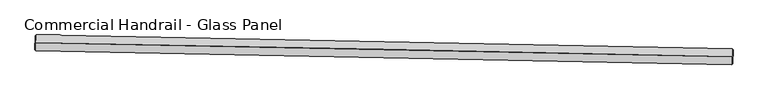
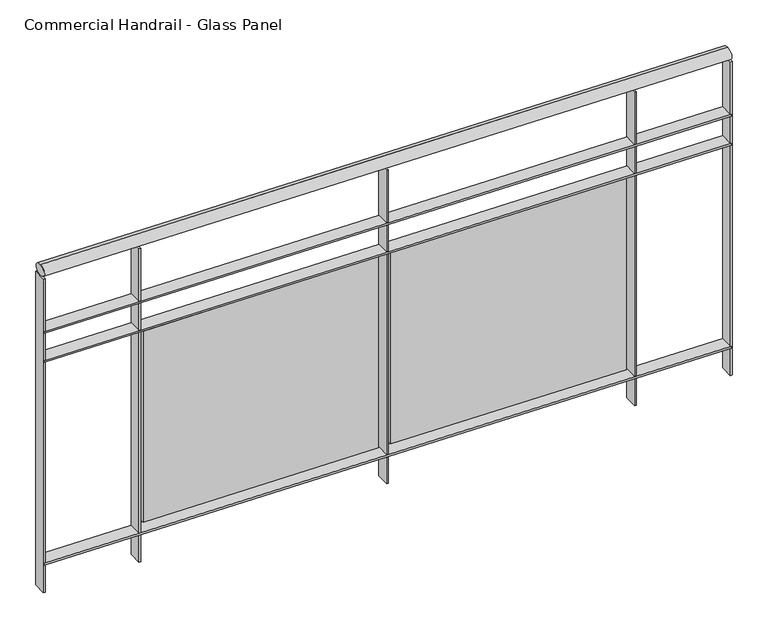
"""IFC4 building model written with IfcOpenShell, lengths in millimetres: railing geometry, Commercial Handrail - Glass Panel."""

from ifc_helpers import new_model, si_unit, point, frame, origin, place, context, project, spatial, polyline, circle_curve, ellipse_curve, trimmed, outline, extrude, source, transform, mapped, element, save
from ifc_brep_helpers import plane_surface, cylinder_surface, revolved_surface, advanced_brep


def commercial_handrail_glass_panel_b0ed1c4f(model_context):
    return source(origin(), model_context, "Body", "SolidModel", [
        advanced_brep(
        [(109450.0847955, -31519.7385661, 9482.5), (111668.0683441, -31564.3090244, 9482.5), (111668.0683441, -31564.3090244, 9517.5), (109450.0847955, -31519.7385661, 9517.5)],
        [
            (0, 1, circle_curve(frame((103958.1605732, -360026.9365691, 9482.5), z_axis=(0.0, 0.0, -1.0), x_axis=(0.023466245609922713, 0.9997246297440985, 0.0)), 328553.1012963)),
            (1, 2, ellipse_curve(frame((111668.0683441, -31564.3090244, 9500.0), z_axis=(-0.9997246297440988, 0.02346624560991631, 0.0), x_axis=(0.0234662456099163, 0.9997246297440986, 0.0)), 25.0, 17.5)),
            (2, 3, circle_curve(frame((103958.1605732, -360026.9365691, 9517.5), z_axis=(0.0, 0.0, 1.0), x_axis=(0.023466245609922713, 0.9997246297440985, 0.0)), 328553.1012963)),
            (3, 0, ellipse_curve(frame((109450.0847955, -31519.7385661, 9500.0), z_axis=(0.999860286531577, -0.016715484348137827, 0.0), x_axis=(0.016715484348137827, 0.999860286531577, 0.0)), 25.0, 17.5)),
            (2, 1, ellipse_curve(frame((111668.0683441, -31564.3090244, 9500.0), z_axis=(-0.9997246297440988, 0.02346624560991631, 0.0), x_axis=(0.0234662456099163, 0.9997246297440986, 0.0)), 25.0, 17.5)),
            (0, 3, ellipse_curve(frame((109450.0847955, -31519.7385661, 9500.0), z_axis=(0.999860286531577, -0.016715484348137827, 0.0), x_axis=(0.016715484348137827, 0.999860286531577, 0.0)), 25.0, 17.5)),
        ],
        [
            revolved_surface(trimmed(ellipse_curve(frame((111668.0683441, -31564.3090244, 9500.0), z_axis=(0.9997246297440985, -0.023466245609922713, 0.0), x_axis=(0.0, 0.0, -1.0)), 17.5, 25.0), [point((111668.0683441, -31564.3090244, 9517.5))], [point((111668.0683441, -31564.3090244, 9482.5))], True, "CARTESIAN"), (103958.1605732, -360026.9365691, 9500.0), (0.0, 0.0, 1.0)),
            revolved_surface(trimmed(ellipse_curve(frame((111668.0683441, -31564.3090244, 9500.0), z_axis=(0.9997246297440985, -0.023466245609922713, 0.0), x_axis=(0.0, 0.0, -1.0)), 17.5, 25.0), [point((111668.0683441, -31564.3090244, 9482.5))], [point((111668.0683441, -31564.3090244, 9517.5))], True, "CARTESIAN"), (103958.1605732, -360026.9365691, 9500.0), (0.0, 0.0, 1.0)),
            plane_surface(frame((111668.0683441, -31564.3090244, 9500.0), z_axis=(0.9997246297440986, -0.023466245609922713, 0.0), x_axis=(0.023466245609922713, 0.9997246297440986, 0.0))),
            plane_surface(frame((109450.0847955, -31519.7385661, 9500.0), z_axis=(-0.999860286531577, 0.016715484348137813, 0.0), x_axis=(0.016715484348137813, 0.999860286531577, 0.0))),
        ],
        [
            (0, [[1, 2, 3, 4]]),
            (1, [[-3, 5, -1, 6]]),
            (2, [[-2, -5]]),
            (3, [[-6, -4]]),
        ],
    ),
        advanced_brep(
        [(109449.7086971, -31542.2354226, 9300.0), (111667.5403536, -31586.8028285, 9300.0), (111668.5963347, -31541.8152202, 9300.0), (109450.4608939, -31497.2417097, 9300.0), (109449.7086971, -31542.2354226, 9294.0), (111667.5403536, -31586.8028285, 9294.0), (109450.4608939, -31497.2417097, 9294.0), (111668.5963347, -31541.8152202, 9294.0)],
        [
            (0, 1, circle_curve(frame((103958.1605732, -360026.9365691, 9300.0), z_axis=(0.0, 0.0, -1.0), x_axis=(0.023466245609922713, 0.9997246297440985, 0.0)), 328530.6012963)),
            (1, 2),
            (2, 3, circle_curve(frame((103958.1605732, -360026.9365691, 9300.0), z_axis=(0.0, 0.0, 1.0), x_axis=(0.023466245609922713, 0.9997246297440985, 0.0)), 328575.6012963)),
            (3, 0),
            (4, 5, circle_curve(frame((103958.1605732, -360026.9365691, 9294.0), z_axis=(0.0, 0.0, -1.0), x_axis=(0.023466245609922713, 0.9997246297440985, 0.0)), 328530.6012963)),
            (5, 1),
            (0, 4),
            (6, 7, circle_curve(frame((103958.1605732, -360026.9365691, 9294.0), z_axis=(0.0, 0.0, -1.0), x_axis=(0.023466245609922713, 0.9997246297440985, 0.0)), 328575.6012963)),
            (7, 5),
            (4, 6),
            (2, 7),
            (6, 3),
        ],
        [
            plane_surface(frame((103958.1605732, -360026.9365691, 9300.0), z_axis=(0.0, 0.0, 1.0), x_axis=(0.023466245609922713, 0.9997246297440985, 0.0))),
            revolved_surface(polyline([(111667.54035359457, -31586.802828550455, 9300.0), (111667.54035359457, -31586.802828550455, 9294.0)]), (103958.1605732, -360026.9365691, 9300.0), (0.0, 0.0, 1.0)),
            plane_surface(frame((103958.1605732, -360026.9365691, 9294.0), z_axis=(0.0, 0.0, -1.0), x_axis=(0.023466245609922713, 0.9997246297440985, 0.0))),
            cylinder_surface(frame((103958.1605732, -360026.9365691, 9300.0), z_axis=(0.0, 0.0, 1.0), x_axis=(0.023466245609922713, 0.9997246297440985, 0.0)), 328575.6012963),
            plane_surface(frame((111668.0683441, -31564.3090244, 9300.0), z_axis=(0.9997246297440986, -0.023466245609922713, 0.0), x_axis=(0.023466245609922713, 0.9997246297440986, 0.0))),
            plane_surface(frame((109450.0847955, -31519.7385661, 9300.0), z_axis=(-0.999860286531577, 0.016715484348137813, 0.0), x_axis=(0.016715484348137813, 0.999860286531577, 0.0))),
        ],
        [
            (0, [[1, 2, 3, 4]]),
            (1, [[5, 6, -1, 7]]),
            (2, [[8, 9, -5, 10]]),
            (3, [[-3, 11, -8, 12]]),
            (4, [[-2, -6, -9, -11]]),
            (5, [[-12, -10, -7, -4]]),
        ],
    ),
        advanced_brep(
        [(109449.7086971, -31542.2354226, 9200.0), (111667.5403536, -31586.8028285, 9200.0), (111668.5963347, -31541.8152202, 9200.0), (109450.4608939, -31497.2417097, 9200.0), (109449.7086971, -31542.2354226, 9194.0), (111667.5403536, -31586.8028285, 9194.0), (109450.4608939, -31497.2417097, 9194.0), (111668.5963347, -31541.8152202, 9194.0)],
        [
            (0, 1, circle_curve(frame((103958.1605732, -360026.9365691, 9200.0), z_axis=(0.0, 0.0, -1.0), x_axis=(0.023466245609922713, 0.9997246297440985, 0.0)), 328530.6012963)),
            (1, 2),
            (2, 3, circle_curve(frame((103958.1605732, -360026.9365691, 9200.0), z_axis=(0.0, 0.0, 1.0), x_axis=(0.023466245609922713, 0.9997246297440985, 0.0)), 328575.6012963)),
            (3, 0),
            (4, 5, circle_curve(frame((103958.1605732, -360026.9365691, 9194.0), z_axis=(0.0, 0.0, -1.0), x_axis=(0.023466245609922713, 0.9997246297440985, 0.0)), 328530.6012963)),
            (5, 1),
            (0, 4),
            (6, 7, circle_curve(frame((103958.1605732, -360026.9365691, 9194.0), z_axis=(0.0, 0.0, -1.0), x_axis=(0.023466245609922713, 0.9997246297440985, 0.0)), 328575.6012963)),
            (7, 5),
            (4, 6),
            (2, 7),
            (6, 3),
        ],
        [
            plane_surface(frame((103958.1605732, -360026.9365691, 9200.0), z_axis=(0.0, 0.0, 1.0), x_axis=(0.023466245609922713, 0.9997246297440985, 0.0))),
            revolved_surface(polyline([(111667.54035359457, -31586.802828550455, 9200.0), (111667.54035359457, -31586.802828550455, 9194.0)]), (103958.1605732, -360026.9365691, 9200.0), (0.0, 0.0, 1.0)),
            plane_surface(frame((103958.1605732, -360026.9365691, 9194.0), z_axis=(0.0, 0.0, -1.0), x_axis=(0.023466245609922713, 0.9997246297440985, 0.0))),
            cylinder_surface(frame((103958.1605732, -360026.9365691, 9200.0), z_axis=(0.0, 0.0, 1.0), x_axis=(0.023466245609922713, 0.9997246297440985, 0.0)), 328575.6012963),
            plane_surface(frame((111668.0683441, -31564.3090244, 9200.0), z_axis=(0.9997246297440986, -0.023466245609922713, 0.0), x_axis=(0.023466245609922713, 0.9997246297440986, 0.0))),
            plane_surface(frame((109450.0847955, -31519.7385661, 9200.0), z_axis=(-0.999860286531577, 0.016715484348137813, 0.0), x_axis=(0.016715484348137813, 0.999860286531577, 0.0))),
        ],
        [
            (0, [[1, 2, 3, 4]]),
            (1, [[5, 6, -1, 7]]),
            (2, [[8, 9, -5, 10]]),
            (3, [[-3, 11, -8, 12]]),
            (4, [[-2, -6, -9, -11]]),
            (5, [[-12, -10, -7, -4]]),
        ],
    ),
        advanced_brep(
        [(109449.7086971, -31542.2354226, 8500.0), (111667.5403536, -31586.8028285, 8500.0), (111668.5963347, -31541.8152202, 8500.0), (109450.4608939, -31497.2417097, 8500.0), (109449.7086971, -31542.2354226, 8494.0), (111667.5403536, -31586.8028285, 8494.0), (109450.4608939, -31497.2417097, 8494.0), (111668.5963347, -31541.8152202, 8494.0)],
        [
            (0, 1, circle_curve(frame((103958.1605732, -360026.9365691, 8500.0), z_axis=(0.0, 0.0, -1.0), x_axis=(0.023466245609922713, 0.9997246297440985, 0.0)), 328530.6012963)),
            (1, 2),
            (2, 3, circle_curve(frame((103958.1605732, -360026.9365691, 8500.0), z_axis=(0.0, 0.0, 1.0), x_axis=(0.023466245609922713, 0.9997246297440985, 0.0)), 328575.6012963)),
            (3, 0),
            (4, 5, circle_curve(frame((103958.1605732, -360026.9365691, 8494.0), z_axis=(0.0, 0.0, -1.0), x_axis=(0.023466245609922713, 0.9997246297440985, 0.0)), 328530.6012963)),
            (5, 1),
            (0, 4),
            (6, 7, circle_curve(frame((103958.1605732, -360026.9365691, 8494.0), z_axis=(0.0, 0.0, -1.0), x_axis=(0.023466245609922713, 0.9997246297440985, 0.0)), 328575.6012963)),
            (7, 5),
            (4, 6),
            (2, 7),
            (6, 3),
        ],
        [
            plane_surface(frame((103958.1605732, -360026.9365691, 8500.0), z_axis=(0.0, 0.0, 1.0), x_axis=(0.023466245609922713, 0.9997246297440985, 0.0))),
            revolved_surface(polyline([(111667.54035359457, -31586.802828550455, 8500.0), (111667.54035359457, -31586.802828550455, 8494.0)]), (103958.1605732, -360026.9365691, 8500.0), (0.0, 0.0, 1.0)),
            plane_surface(frame((103958.1605732, -360026.9365691, 8494.0), z_axis=(0.0, 0.0, -1.0), x_axis=(0.023466245609922713, 0.9997246297440985, 0.0))),
            cylinder_surface(frame((103958.1605732, -360026.9365691, 8500.0), z_axis=(0.0, 0.0, 1.0), x_axis=(0.023466245609922713, 0.9997246297440985, 0.0)), 328575.6012963),
            plane_surface(frame((111668.0683441, -31564.3090244, 8500.0), z_axis=(0.9997246297440986, -0.023466245609922713, 0.0), x_axis=(0.023466245609922713, 0.9997246297440986, 0.0))),
            plane_surface(frame((109450.0847955, -31519.7385661, 8500.0), z_axis=(-0.999860286531577, 0.016715484348137813, 0.0), x_axis=(0.016715484348137813, 0.999860286531577, 0.0))),
        ],
        [
            (0, [[1, 2, 3, 4]]),
            (1, [[5, 6, -1, 7]]),
            (2, [[8, 9, -5, 10]]),
            (3, [[-3, 11, -8, 12]]),
            (4, [[-2, -6, -9, -11]]),
            (5, [[-12, -10, -7, -4]]),
        ],
    ),
        extrude(outline(polyline([(109762.6536892, -31502.6092569), (109761.8591469, -31547.602242), (109755.8600823, -31547.496303), (109756.6546246, -31502.503318), (109762.6536892, -31502.6092569)])), frame((0.0, 0.0, 8400.0), z_axis=(0.0, 0.0, 1.0), x_axis=(1.0, 0.0, 0.0)), (0.0, 0.0, 1.0), 1082.1192282),
        extrude(outline(polyline([(110539.0092025, -31545.529787), (109779.1445776, -31531.185736), (109779.3710626, -31519.1878735), (110539.2356875, -31533.5319245), (110539.0092025, -31545.529787)])), frame((0.0, 0.0, 8520.0), z_axis=(0.0, 0.0, 1.0), x_axis=(1.0, 0.0, 0.0)), (0.0, 0.0, 1.0), 660.0),
        extrude(outline(polyline([(110562.5656296, -31517.7165918), (110561.6615355, -31562.7075088), (110555.6627466, -31562.5869629), (110556.5668406, -31517.5960459), (110562.5656296, -31517.7165918)])), frame((0.0, 0.0, 8400.0), z_axis=(0.0, 0.0, 1.0), x_axis=(1.0, 0.0, 0.0)), (0.0, 0.0, 1.0), 1082.1192282),
        extrude(outline(polyline([(111338.8143335, -31562.5273551), (110578.9868877, -31546.33314), (110579.2425858, -31534.3358646), (111339.0700316, -31550.5300797), (111338.8143335, -31562.5273551)])), frame((0.0, 0.0, 8520.0), z_axis=(0.0, 0.0, 1.0), x_axis=(1.0, 0.0, 0.0)), (0.0, 0.0, 1.0), 660.0),
        extrude(outline(polyline([(111362.4384136, -31534.7716003), (111361.4247731, -31579.7601825), (111355.4262954, -31579.6250305), (111356.4399359, -31534.6364482), (111362.4384136, -31534.7716003)])), frame((0.0, 0.0, 8400.0), z_axis=(0.0, 0.0, 1.0), x_axis=(1.0, 0.0, 0.0)), (0.0, 0.0, 1.0), 1082.1192282),
        extrude(outline(polyline([(109453.4604747, -31497.2918561), (109452.7082779, -31542.285569), (109446.7091162, -31542.1852761), (109447.461313, -31497.1915632), (109453.4604747, -31497.2918561)])), frame((0.0, 0.0, 8400.0), z_axis=(0.0, 0.0, 1.0), x_axis=(1.0, 0.0, 0.0)), (0.0, 0.0, 1.0), 1082.1192282),
        extrude(outline(polyline([(111671.5955086, -31541.8856189), (111670.5395275, -31586.8732273), (111664.5411797, -31586.7324298), (111665.5971608, -31541.7448215), (111671.5955086, -31541.8856189)])), frame((0.0, 0.0, 8400.0), z_axis=(0.0, 0.0, 1.0), x_axis=(1.0, 0.0, 0.0)), (0.0, 0.0, 1.0), 1082.1192282),
    ])


if __name__ == "__main__":
    model = new_model("IFC4")
    model_context = context("Model", 3, world=origin())
    ifc_project = project(units=[si_unit("LENGTHUNIT", "METRE", prefix="MILLI")], contexts=[model_context])
    site = spatial("IfcSite", under=ifc_project)
    building = spatial("IfcBuilding", under=site)
    placement = place(None, origin())
    commercial_handrail_glass_panel_shape = commercial_handrail_glass_panel_b0ed1c4f(model_context)
    element("IfcRailing", 1, ObjectType="Commercial Handrail - Glass Panel", at=placement, inside=building, context=model_context, shape_type="MappedRepresentation", body=[
        mapped(commercial_handrail_glass_panel_shape, transform((0.0, 0.0, 0.0), x_axis=(1.0, 0.0, 0.0), y_axis=(0.0, 1.0, 0.0), z_axis=(0.0, 0.0, 1.0))),
    ])
    save(model, "model.ifc")
